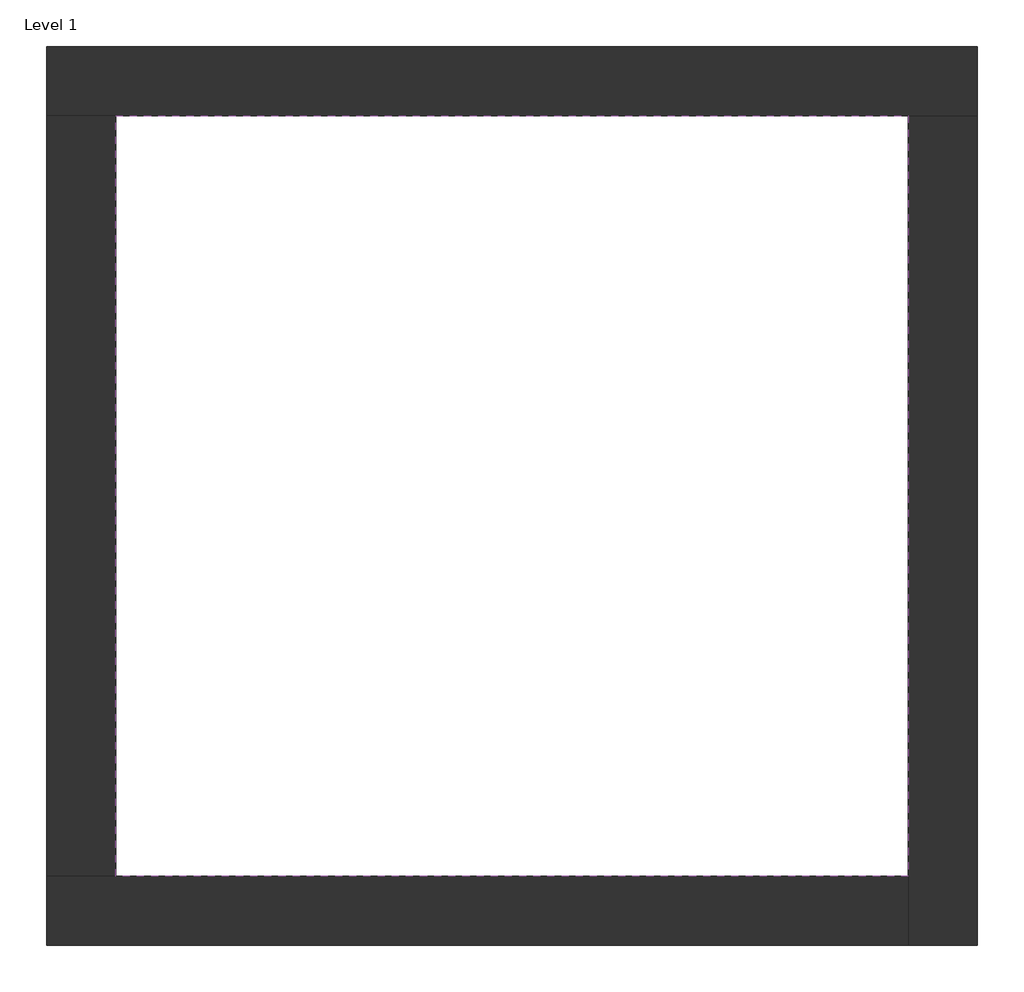
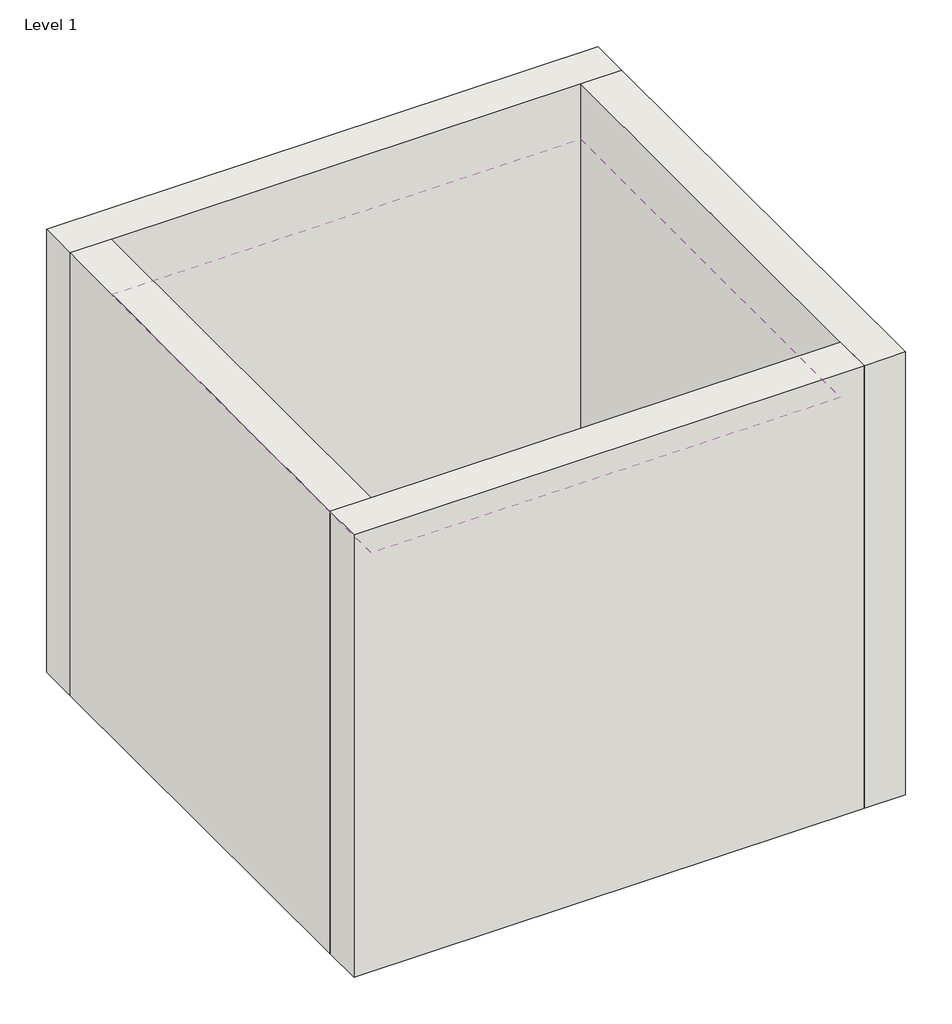
# One storey: 4 walls, 1 covering.
"""IFC4 building model written with IfcOpenShell, lengths in millimetres."""

import ifcopenshell
import ifcopenshell.guid

model = None  # the IFC model being written
_history = None  # IfcOwnerHistory: only IFC2X3 demands one
_inside = {}  # id of a spatial element -> (the spatial element, [elements in it])
_under = {}  # id of a project, library or spatial element -> (it, [spatial elements below it])
_declared = {}  # id of a project -> (the project, [libraries it declares])
_typed = {}  # id of a type object -> (the type object, [elements of that type])
_made_of = {}  # id of a material, layer set ... -> (it, [elements and type objects made of it])


def new_model(schema):
    """Start an empty IFC model of exactly this schema.

    Asked for "IFC4X3", IfcOpenShell would pick the latest addendum, in which some entities
    have other attributes; the version numbers below select the first issue.
    IFC2X3 requires an IfcOwnerHistory on every rooted entity: one is made here for all.
    """
    global model, _history
    if schema == "IFC4X3":
        model = ifcopenshell.file(schema_version=(4, 3, 0, 0))
    else:
        model = ifcopenshell.file(schema=schema)
    _inside.clear()
    _under.clear()
    _declared.clear()
    _typed.clear()
    _made_of.clear()
    _history = None
    if model.schema == "IFC2X3":
        org = make("IfcOrganization", Name="unknown")
        user = make(
            "IfcPersonAndOrganization",
            ThePerson=make("IfcPerson", FamilyName="unknown"),
            TheOrganization=org,
        )
        app = make(
            "IfcApplication",
            ApplicationDeveloper=org,
            Version="unknown",
            ApplicationFullName="unknown",
            ApplicationIdentifier="unknown",
        )
        _history = make(
            "IfcOwnerHistory",
            OwningUser=user,
            OwningApplication=app,
            ChangeAction="ADDED",
            CreationDate=0,
        )
    return model


def make(cls, **values):
    """One entity of the class cls with the attributes given. An attribute that is None is left unset."""
    return model.create_entity(
        cls, **{name: value for name, value in values.items() if value is not None}
    )


def rooted(cls, **values):
    """An entity with a GlobalId (a new one), such as an element, a storey or a relation."""
    return make(cls, GlobalId=ifcopenshell.guid.new(), OwnerHistory=_history, **values)


def si_unit(unit_type, name, prefix=None):
    """IfcSIUnit, for example si_unit("LENGTHUNIT", "METRE", prefix="MILLI")."""
    return make("IfcSIUnit", UnitType=unit_type, Prefix=prefix, Name=name)


def assignment(units):
    """IfcUnitAssignment: the units of a project."""
    return None if units is None else make("IfcUnitAssignment", Units=units)


def point(xyz):
    """IfcCartesianPoint."""
    return None if xyz is None else make("IfcCartesianPoint", Coordinates=xyz)


def direction(xyz):
    """IfcDirection."""
    return None if xyz is None else make("IfcDirection", DirectionRatios=xyz)


def frame(location, z_axis=None, x_axis=None):
    """IfcAxis2Placement3D, a coordinate frame: its origin and axes. An axis left out is left unset."""
    return make(
        "IfcAxis2Placement3D",
        Location=point(location),
        Axis=direction(z_axis),
        RefDirection=direction(x_axis),
    )


def origin():
    """The frame at (0, 0, 0) with its axes left unset."""
    return frame((0.0, 0.0, 0.0))


def origin_with_axes():
    """The frame at (0, 0, 0) with the z axis (0, 0, 1) and the x axis (1, 0, 0) written out."""
    return frame((0.0, 0.0, 0.0), z_axis=(0.0, 0.0, 1.0), x_axis=(1.0, 0.0, 0.0))


def place(relative_to, where):
    """IfcLocalPlacement: puts the frame where relative to a parent placement (None: the world)."""
    return make(
        "IfcLocalPlacement", PlacementRelTo=relative_to, RelativePlacement=where
    )


def context(
    kind, dimensions, precision=None, world=None, true_north=None, identifier=None
):
    """IfcGeometricRepresentationContext, for example the 3D "Model" context."""
    return make(
        "IfcGeometricRepresentationContext",
        ContextIdentifier=identifier,
        ContextType=kind,
        CoordinateSpaceDimension=dimensions,
        Precision=precision,
        WorldCoordinateSystem=world,
        TrueNorth=true_north,
    )


def project(units=None, contexts=None):
    """IfcProject with its units and contexts."""
    return rooted(
        "IfcProject",
        Name="project",
        RepresentationContexts=contexts,
        UnitsInContext=assignment(units),
    )


def spatial(cls, under=None, at=None, **own):
    """A site, building, storey or space (cls), placed at a placement, below another one or the project."""
    s = rooted(cls, ObjectPlacement=at, **own)
    if under is not None:
        _under.setdefault(under.id(), (under, []))[1].append(s)
    return s


def polyline(points):
    """IfcPolyline through the points."""
    return make("IfcPolyline", Points=[point(p) for p in points])


def outline(outer, holes=None, kind="AREA"):
    """IfcArbitraryClosedProfileDef: a profile drawn as a closed curve; with holes, ...WithVoids."""
    if holes is None:
        return make("IfcArbitraryClosedProfileDef", ProfileType=kind, OuterCurve=outer)
    return make(
        "IfcArbitraryProfileDefWithVoids",
        ProfileType=kind,
        OuterCurve=outer,
        InnerCurves=holes,
    )


def extrude(swept, where, along, depth):
    """IfcExtrudedAreaSolid: the profile swept, set in the frame where, extruded along a direction by depth."""
    return make(
        "IfcExtrudedAreaSolid",
        SweptArea=swept,
        Position=where,
        ExtrudedDirection=direction(along),
        Depth=depth,
    )


def faces_of(points, faces, orient=None, outer=None):
    """IfcFace entities. A face is a list of loops; a loop is a list of indices into points, from 0.

    orient and outer hold one flag for each loop. By default every Orientation is true, the
    first loop of a face is its IfcFaceOuterBound and the others are IfcFaceBound.
    """
    made = []
    for i, loops in enumerate(faces):
        bounds = []
        for j, loop in enumerate(loops):
            is_outer = j == 0 if outer is None else outer[i][j]
            bounds.append(
                make(
                    "IfcFaceOuterBound" if is_outer else "IfcFaceBound",
                    Bound=make("IfcPolyLoop", Polygon=[points[k] for k in loop]),
                    Orientation=True if orient is None else orient[i][j],
                )
            )
        made.append(make("IfcFace", Bounds=bounds))
    return made


def faceted_brep(points, faces, orient=None, outer=None, voids=None):
    """IfcFacetedBrep: a solid bounded by flat faces; with voids (closed shells), ...WithVoids."""
    shared = [point(p) for p in points]
    hull = make("IfcClosedShell", CfsFaces=faces_of(shared, faces, orient, outer))
    if voids is None:
        return make("IfcFacetedBrep", Outer=hull)
    return make(
        "IfcFacetedBrepWithVoids",
        Outer=hull,
        Voids=[
            make(cls, CfsFaces=faces_of(shared, fs, o, b)) for cls, fs, o, b in voids
        ],
    )


def shape(context_of_items, identifier, shape_type, items):
    """IfcShapeRepresentation: the items that make up one representation, for example the "Body"."""
    return make(
        "IfcShapeRepresentation",
        ContextOfItems=context_of_items,
        RepresentationIdentifier=identifier,
        RepresentationType=shape_type,
        Items=items,
    )


def made_of(thing, what):
    """Note that an element or type object is made of a material, layer set ...; save() writes the relation."""
    if what is not None:
        _made_of.setdefault(what.id(), (what, []))[1].append(thing)
    return thing


def element(
    cls,
    number,
    at=None,
    inside=None,
    cuts=None,
    type_object=None,
    material=None,
    context=None,
    identifier="Body",
    shape_type=None,
    held_by="IfcProductDefinitionShape",
    body=None,
    shapes=None,
    **own,
):
    """One element of the class cls, such as IfcWall. Its Tag is "e" and its number.

    at: its placement. inside: the storey or other place that contains it. cuts: it is an
    opening in that element (IfcRelVoidsElement). A single representation is given by context,
    identifier, shape_type and body (its items); several are given by shapes. held_by: the class
    of the entity that holds the representations. save() writes the other relations.
    """
    e = rooted(cls, Tag="e%d" % number, ObjectPlacement=at, **own)
    if body is not None:
        shapes = [shape(context, identifier, shape_type, body)]
    if shapes is not None:
        e.Representation = make(held_by, Representations=shapes)
    if inside is not None:
        _inside.setdefault(inside.id(), (inside, []))[1].append(e)
    if cuts is not None:
        rooted(
            "IfcRelVoidsElement", RelatingBuildingElement=cuts, RelatedOpeningElement=e
        )
    if type_object is not None:
        _typed.setdefault(type_object.id(), (type_object, []))[1].append(e)
    return made_of(e, material)


def aggregate(whole, parts):
    """IfcRelAggregates: a whole, such as a stair, and the parts it consists of."""
    return rooted("IfcRelAggregates", RelatingObject=whole, RelatedObjects=parts)


def save(model, path):
    """Write the relations noted so far, then the file.

    IfcRelAggregates (storeys below a building ...), IfcRelContainedInSpatialStructure (elements
    in a storey), IfcRelDefinesByType, IfcRelAssociatesMaterial and IfcRelDeclares: one each for
    every whole, place, type object, material and project.
    """
    for whole, parts in _under.values():
        aggregate(whole, parts)
    for where, things in _inside.values():
        rooted(
            "IfcRelContainedInSpatialStructure",
            RelatedElements=things,
            RelatingStructure=where,
        )
    for kind, things in _typed.values():
        rooted("IfcRelDefinesByType", RelatedObjects=things, RelatingType=kind)
    for what, things in _made_of.values():
        rooted("IfcRelAssociatesMaterial", RelatedObjects=things, RelatingMaterial=what)
    for by, libraries in _declared.values():
        rooted("IfcRelDeclares", RelatingContext=by, RelatedDefinitions=libraries)
    model.write(path)


model = new_model("IFC4")

# Units and contexts
model_context = context("Model", 3, world=origin())
ifc_project = project(units=[si_unit("LENGTHUNIT", "METRE", prefix="MILLI")], contexts=[model_context])

# Site, building, storey
site = spatial("IfcSite", under=ifc_project)
building = spatial("IfcBuilding", under=site)
storey = spatial("IfcBuildingStorey", under=building, Name="Level 1", Elevation=0.0)

# Covering
placement = place(None, origin())
element("IfcCovering", 1, at=placement, inside=storey, context=model_context, shape_type="SweptSolid", body=[
    extrude(outline(polyline([(-14894.8573003, 6921.2750283), (-10882.3573003, 6921.2750283), (-10882.3573003, 3071.2750283), (-14894.8573003, 3071.2750283), (-14894.8573003, 6921.2750283)])), frame((0.0, 0.0, 3500.0), z_axis=(0.0, 0.0, 1.0), x_axis=(1.0, 0.0, 0.0)), (0.0, 0.0, 1.0), 17.2),
])

# Walls
element("IfcWall", 2, ObjectType="Exterior - Brick on Mtl. Stud", at=placement, inside=storey, context=model_context, shape_type="Brep", body=[
    faceted_brep([(-15244.8573003, 6921.2750283, 0.0), (-14894.8573003, 6921.2750283, 0.0), (-10882.3573003, 6921.2750283, 0.0), (-10532.3573003, 6921.2750283, 0.0), (-10532.3573003, 6921.2750283, 4000.0), (-10882.3573003, 6921.2750283, 4000.0), (-14894.8573003, 6921.2750283, 4000.0), (-15244.8573003, 6921.2750283, 4000.0), (-15244.8573003, 7271.2750283, 0.0), (-15244.8573003, 7271.2750283, 4000.0), (-10532.3573003, 7271.2750283, 4000.0), (-10532.3573003, 7271.2750283, 0.0)], [[[0, 1, 2, 3, 4, 5, 6, 7]], [[8, 9, 10, 11]], [[3, 2, 1, 0, 8, 11]], [[7, 6, 5, 4, 10, 9]], [[0, 7, 9, 8]], [[4, 3, 11, 10]]]),
])
element("IfcWall", 3, ObjectType="Exterior - Brick on Mtl. Stud", at=placement, inside=storey, context=model_context, shape_type="Brep", body=[
    faceted_brep([(-10882.3573003, 6921.2750283, 0.0), (-10882.3573003, 3071.2750283, 0.0), (-10882.3573003, 2721.2750283, 0.0), (-10882.3573003, 2721.2750283, 4000.0), (-10882.3573003, 3071.2750283, 4000.0), (-10882.3573003, 6921.2750283, 4000.0), (-10532.3573003, 6921.2750283, 0.0), (-10532.3573003, 6921.2750283, 4000.0), (-10532.3573003, 2721.2750283, 4000.0), (-10532.3573003, 2721.2750283, 0.0)], [[[0, 1, 2, 3, 4, 5]], [[6, 7, 8, 9]], [[2, 1, 0, 6, 9]], [[5, 4, 3, 8, 7]], [[3, 2, 9, 8]], [[0, 5, 7, 6]]]),
])
element("IfcWall", 4, ObjectType="Exterior - Brick on Mtl. Stud", at=placement, inside=storey, context=model_context, shape_type="Brep", body=[
    faceted_brep([(-10882.3573003, 3071.2750283, 0.0), (-14894.8573003, 3071.2750283, 0.0), (-15244.8573003, 3071.2750283, 0.0), (-15244.8573003, 3071.2750283, 4000.0), (-14894.8573003, 3071.2750283, 4000.0), (-10882.3573003, 3071.2750283, 4000.0), (-10882.3573003, 2721.2750283, 0.0), (-10882.3573003, 2721.2750283, 4000.0), (-15244.8573003, 2721.2750283, 4000.0), (-15244.8573003, 2721.2750283, 0.0)], [[[0, 1, 2, 3, 4, 5]], [[6, 7, 8, 9]], [[2, 1, 0, 6, 9]], [[5, 4, 3, 8, 7]], [[3, 2, 9, 8]], [[0, 5, 7, 6]]]),
])
element("IfcWall", 5, ObjectType="Exterior - Brick on Mtl. Stud", at=placement, inside=storey, context=model_context, shape_type="SweptSolid", body=[
    extrude(outline(polyline([(-14894.8573003, 6921.2750283), (-14894.8573003, 3071.2750283), (-15244.8573003, 3071.2750283), (-15244.8573003, 6921.2750283), (-14894.8573003, 6921.2750283)])), origin_with_axes(), (0.0, 0.0, 1.0), 4000.0),
])

save(model, "model.ifc")
